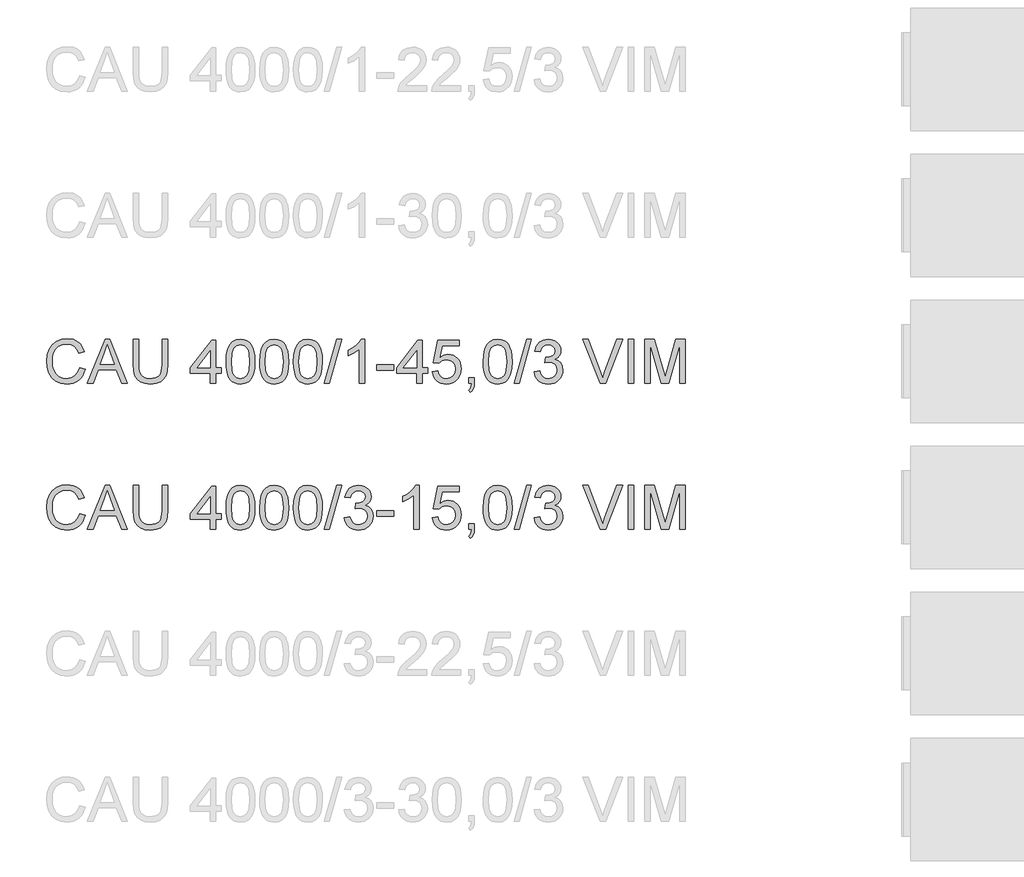
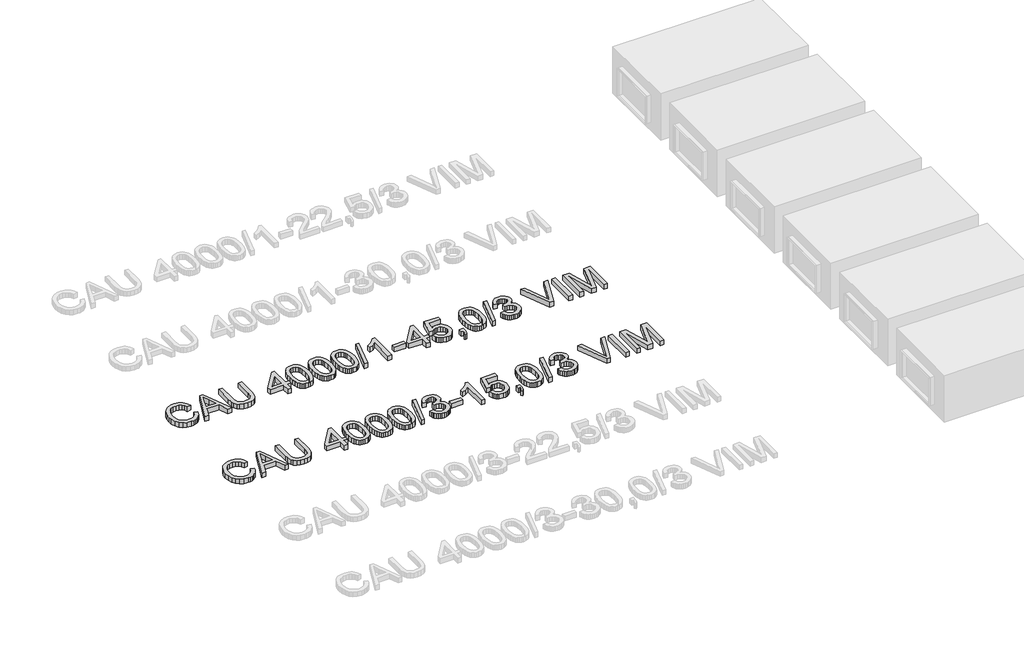
# One storey, part 66 of 74: 2 proxies.
"""IFC4 building model written with IfcOpenShell, lengths in millimetres."""

from ifc_helpers import new_model, si_unit, origin, origin_with_axes, place, context, project, spatial, polyline, outline, extrude, element, save

model = new_model("IFC4")

# Units and contexts
model_context = context("Model", 3, world=origin())
ifc_project = project(units=[si_unit("LENGTHUNIT", "METRE", prefix="MILLI")], contexts=[model_context])

# Site, building, storey
site = spatial("IfcSite", under=ifc_project)
building = spatial("IfcBuilding", under=site)
storey = spatial("IfcBuildingStorey", under=building, Elevation=0.0)

# Proxies
placement = place(None, origin())
element("IfcBuildingElementProxy", 1, Name="Generic Models", at=placement, inside=storey, context=model_context, shape_type="SweptSolid", body=[
    extrude(outline(polyline([(44539.6928381, -7799.1632103), (44577.3639544, -7808.875295), (44569.9097455, -7832.3024803), (44559.9815302, -7852.7728141), (44547.5793084, -7870.2862963), (44532.7030802, -7884.842927), (44515.688538, -7896.2863563), (44496.8713739, -7904.4602344), (44476.2515881, -7909.3645613), (44453.8291805, -7910.9993369), (44410.1339965, -7906.051324), (44375.4335273, -7891.2072855), (44348.835659, -7866.9822562), (44329.4482779, -7833.8912707), (44317.6116747, -7794.9877497), (44313.6661403, -7753.3251137), (44318.1267095, -7709.3816094), (44331.5084171, -7671.4345816), (44353.1122872, -7640.6888439), (44382.2393442, -7618.3492097), (44416.7834636, -7604.7467729), (44454.6385209, -7600.2126274), (44495.9424719, -7606.0803452), (44513.9112081, -7613.4149925), (44530.0911181, -7623.6834986), (44544.2154874, -7636.6145508), (44556.0176017, -7651.9368359), (44572.6550649, -7689.755105), (44534.9839486, -7698.7314257), (44521.9241378, -7671.2598377), (44504.081861, -7652.4150825), (44481.2363891, -7641.5165784), (44453.1669929, -7637.8837437), (44420.8117714, -7641.9120515), (44394.2322973, -7653.996975), (44374.0631669, -7672.8693214), (44360.9389767, -7697.2598977), (44353.7376866, -7724.8326532), (44351.3372566, -7753.2515373), (44354.179145, -7788.0531741), (44362.7048103, -7818.1459213), (44377.2361491, -7842.3801477), (44398.0950582, -7859.6062222), (44423.1018368, -7869.897721), (44450.0767841, -7873.3282206), (44481.5214977, -7868.6561192), (44507.7238928, -7854.6398152), (44527.5067471, -7831.4264613), (44539.6928381, -7799.1632103)])), origin_with_axes(), (0.0, 0.0, 1.0), 50.0),
    extrude(outline(polyline([(44594.065797, -7906.2904473), (44714.3632095, -7604.9215169), (44746.4425194, -7604.9215169), (44866.7399319, -7906.2904473), (44826.9351, -7906.2904473), (44792.4277688, -7812.1126566), (44668.3043837, -7812.1126566), (44633.8706289, -7906.2904473), (44594.065797, -7906.2904473)]), holes=[polyline([(44682.1367467, -7774.4415403), (44778.6689822, -7774.4415403), (44751.519291, -7700.3501064), (44730.4028644, -7642.5926332), (44711.6408827, -7693.8753833), (44682.1367467, -7774.4415403)])]), origin_with_axes(), (0.0, 0.0, 1.0), 50.0),
    extrude(outline(polyline([(45104.7595827, -7604.9215169), (45142.430699, -7604.9215169), (45142.430699, -7778.7825478), (45139.8739192, -7819.4978876), (45132.2035796, -7850.8506307), (45117.8745759, -7875.0388719), (45095.3418037, -7894.2607061), (45064.5500807, -7906.8146792), (45025.4442246, -7910.9993369), (44987.1936941, -7907.3573051), (44956.6135033, -7896.4312099), (44933.694455, -7878.5981302), (44918.4273522, -7854.235145), (44909.8465046, -7821.5580268), (44906.9862221, -7778.7825478), (44906.9862221, -7604.9215169), (44944.6573384, -7604.9215169), (44944.6573384, -7777.4581726), (44946.5151425, -7811.3125132), (44952.0885547, -7834.8845521), (44962.1869155, -7851.2093156), (44977.6195652, -7863.3218303), (44997.7427103, -7870.826623), (45021.9125574, -7873.3282206), (45060.2274672, -7868.3802077), (45074.5702665, -7862.1951917), (45085.7032954, -7853.5361692), (45094.0404211, -7841.3592752), (45099.9955109, -7824.6206444), (45104.7595827, -7777.4581726), (45104.7595827, -7604.9215169)])), origin_with_axes(), (0.0, 0.0, 1.0), 50.0),
    extrude(outline(polyline([(45434.3818504, -7906.2904473), (45434.3818504, -7835.6571043), (45297.8240538, -7835.6571043), (45297.8240538, -7797.985988), (45443.7996295, -7609.6304064), (45472.0529667, -7609.6304064), (45472.0529667, -7797.985988), (45509.724083, -7797.985988), (45509.724083, -7835.6571043), (45472.0529667, -7835.6571043), (45472.0529667, -7906.2904473), (45434.3818504, -7906.2904473)]), holes=[polyline([(45434.3818504, -7797.985988), (45434.3818504, -7681.5881247), (45344.1771852, -7797.985988), (45434.3818504, -7797.985988)])]), origin_with_axes(), (0.0, 0.0, 1.0), 50.0),
    extrude(outline(polyline([(45542.6863098, -7758.0340033), (45545.4546218, -7709.7954767), (45553.7595578, -7671.324217), (45567.5183445, -7642.0316132), (45586.6482082, -7621.3290539), (45611.2871048, -7609.0234011), (45641.5729901, -7604.9215169), (45664.786344, -7607.3495381), (45685.5716767, -7614.6336016), (45702.954101, -7626.4885989), (45715.9587295, -7642.6294214), (45725.7811788, -7662.9181134), (45733.6170653, -7687.2167192), (45738.7490191, -7718.0728216), (45740.4596704, -7758.0340033), (45737.7189495, -7805.9966184), (45729.4967869, -7844.3759076), (45715.8207738, -7873.6961026), (45696.7185012, -7894.4814353), (45672.0244222, -7906.8698615), (45641.5729901, -7910.9993369), (45620.8244456, -7909.2059122), (45602.4303458, -7903.825638), (45586.3906908, -7894.8585143), (45572.7054806, -7882.3045413), (45559.5720934, -7859.6108207), (45550.1911025, -7831.3344908), (45544.562508, -7797.4755517), (45542.6863098, -7758.0340033)]), holes=[polyline([(45580.3574261, -7757.9604269), (45584.77201, -7817.2170193), (45590.29024, -7837.4850179), (45598.0157619, -7851.5128183), (45617.7342368, -7867.87437), (45641.5729901, -7873.3282206), (45665.4117434, -7867.8559759), (45685.1302183, -7851.4392419), (45692.8557402, -7837.3884489), (45698.3739702, -7817.1250488), (45702.7885541, -7757.9604269), (45698.5211229, -7700.0374067), (45693.186834, -7679.8360867), (45685.7188295, -7665.4748933), (45666.0371428, -7648.3131982), (45641.1315317, -7642.5926332), (45617.5502958, -7647.6326165), (45598.6043731, -7662.7525665), (45590.6213338, -7678.3875513), (45584.9191628, -7699.4671897), (45580.3574261, -7757.9604269)])]), origin_with_axes(), (0.0, 0.0, 1.0), 50.0),
    extrude(outline(polyline([(45773.4218972, -7758.0340033), (45776.1902092, -7709.7954767), (45784.4951452, -7671.324217), (45798.2539318, -7642.0316132), (45817.3837956, -7621.3290539), (45842.0226922, -7609.0234011), (45872.3085775, -7604.9215169), (45895.5219314, -7607.3495381), (45916.3072641, -7614.6336016), (45933.6896884, -7626.4885989), (45946.6943169, -7642.6294214), (45956.5167662, -7662.9181134), (45964.3526527, -7687.2167192), (45969.4846065, -7718.0728216), (45971.1952578, -7758.0340033), (45968.4545369, -7805.9966184), (45960.2323743, -7844.3759076), (45946.5563611, -7873.6961026), (45927.4540885, -7894.4814353), (45902.7600096, -7906.8698615), (45872.3085775, -7910.9993369), (45851.5600329, -7909.2059122), (45833.1659332, -7903.825638), (45817.1262782, -7894.8585143), (45803.441068, -7882.3045413), (45790.3076807, -7859.6108207), (45780.9266899, -7831.3344908), (45775.2980953, -7797.4755517), (45773.4218972, -7758.0340033)]), holes=[polyline([(45811.0930135, -7757.9604269), (45815.5075974, -7817.2170193), (45821.0258273, -7837.4850179), (45828.7513492, -7851.5128183), (45848.4698242, -7867.87437), (45872.3085775, -7873.3282206), (45896.1473308, -7867.8559759), (45915.8658057, -7851.4392419), (45923.5913276, -7837.3884489), (45929.1095575, -7817.1250488), (45933.5241415, -7757.9604269), (45929.2567103, -7700.0374067), (45923.9224214, -7679.8360867), (45916.4544169, -7665.4748933), (45896.7727302, -7648.3131982), (45871.8671191, -7642.5926332), (45848.2858832, -7647.6326165), (45829.3399604, -7662.7525665), (45821.3569211, -7678.3875513), (45815.6547502, -7699.4671897), (45811.0930135, -7757.9604269)])]), origin_with_axes(), (0.0, 0.0, 1.0), 50.0),
    extrude(outline(polyline([(46004.1574845, -7758.0340033), (46006.9257966, -7709.7954767), (46015.2307326, -7671.324217), (46028.9895192, -7642.0316132), (46048.119383, -7621.3290539), (46072.7582796, -7609.0234011), (46103.0441648, -7604.9215169), (46126.2575187, -7607.3495381), (46147.0428515, -7614.6336016), (46164.4252757, -7626.4885989), (46177.4299043, -7642.6294214), (46187.2523535, -7662.9181134), (46195.08824, -7687.2167192), (46200.2201939, -7718.0728216), (46201.9308451, -7758.0340033), (46199.1901243, -7805.9966184), (46190.9679617, -7844.3759076), (46177.2919485, -7873.6961026), (46158.1896759, -7894.4814353), (46133.495597, -7906.8698615), (46103.0441648, -7910.9993369), (46082.2956203, -7909.2059122), (46063.9015206, -7903.825638), (46047.8618656, -7894.8585143), (46034.1766553, -7882.3045413), (46021.0432681, -7859.6108207), (46011.6622772, -7831.3344908), (46006.0336827, -7797.4755517), (46004.1574845, -7758.0340033)]), holes=[polyline([(46041.8286008, -7757.9604269), (46046.2431848, -7817.2170193), (46051.7614147, -7837.4850179), (46059.4869366, -7851.5128183), (46079.2054116, -7867.87437), (46103.0441648, -7873.3282206), (46126.8829181, -7867.8559759), (46146.6013931, -7851.4392419), (46154.326915, -7837.3884489), (46159.8451449, -7817.1250488), (46164.2597288, -7757.9604269), (46159.9922977, -7700.0374067), (46154.6580088, -7679.8360867), (46147.1900043, -7665.4748933), (46127.5083175, -7648.3131982), (46102.6027065, -7642.5926332), (46079.0214706, -7647.6326165), (46060.0755478, -7662.7525665), (46052.0925085, -7678.3875513), (46046.3903376, -7699.4671897), (46041.8286008, -7757.9604269)])]), origin_with_axes(), (0.0, 0.0, 1.0), 50.0),
    extrude(outline(polyline([(46216.0575138, -7906.2904473), (46300.8175255, -7604.9215169), (46334.8098218, -7604.9215169), (46250.0498101, -7906.2904473), (46216.0575138, -7906.2904473)])), origin_with_axes(), (0.0, 0.0, 1.0), 50.0),
    extrude(outline(polyline([(46352.6153104, -7826.2393252), (46390.2864267, -7821.5304357), (46398.7201214, -7845.203642), (46411.0717594, -7861.1881147), (46427.9483459, -7870.2931941), (46449.9568863, -7873.3282206), (46475.7822024, -7869.1527599), (46495.7214065, -7856.626378), (46508.4685176, -7837.9379726), (46512.7175547, -7815.2764417), (46508.5053058, -7793.7645421), (46495.8685593, -7776.3177384), (46476.7386955, -7764.7570467), (46453.0470951, -7760.9034828), (46426.6331678, -7765.0237612), (46430.8270225, -7727.3526449), (46436.8602873, -7727.7941033), (46459.4298477, -7725.0901706), (46479.6081751, -7716.9783726), (46493.8452083, -7703.2563742), (46498.5908861, -7683.7218403), (46495.1511894, -7667.452259), (46484.8320994, -7654.2544924), (46469.08675, -7645.508098), (46449.3682751, -7642.5926332), (46429.613012, -7645.5356892), (46413.4629924, -7654.364857), (46401.6723744, -7669.0801369), (46394.9953162, -7689.6815286), (46357.3241999, -7684.972639), (46368.4158421, -7651.1458896), (46388.1527111, -7625.8907906), (46415.1552496, -7610.1638353), (46448.0438999, -7604.9215169), (46471.7263034, -7607.5058879), (46493.4773263, -7615.259001), (46511.8162438, -7627.4910773), (46525.2623307, -7643.5123382), (46533.5120845, -7661.9708173), (46536.2620024, -7681.5145483), (46533.6500402, -7699.724707), (46525.8141537, -7716.2426086), (46512.8647075, -7730.3140949), (46494.9120661, -7741.1850079), (46518.493302, -7750.7131516), (46535.9676968, -7766.9367476), (46546.7834274, -7788.9728791), (46550.388671, -7815.9386293), (46548.5860492, -7835.050099), (46543.1781839, -7852.6532524), (46534.165075, -7868.7480897), (46521.5467226, -7883.3346108), (46506.1738537, -7895.4379285), (46488.8971955, -7904.0831554), (46469.716748, -7909.2702915), (46448.6325111, -7910.9993369), (46429.5762238, -7909.5232104), (46412.2121936, -7905.0948309), (46396.5404206, -7897.7141983), (46382.5609048, -7887.3813128), (46370.8392647, -7874.7031795), (46361.941119, -7860.2868038), (46355.8664675, -7844.1321857), (46352.6153104, -7826.2393252)])), origin_with_axes(), (0.0, 0.0, 1.0), 50.0),
    extrude(outline(polyline([(46573.9331187, -7816.8215461), (46573.9331187, -7779.1504298), (46691.6553571, -7779.1504298), (46691.6553571, -7816.8215461), (46573.9331187, -7816.8215461)])), origin_with_axes(), (0.0, 0.0, 1.0), 50.0),
    extrude(outline(polyline([(46865.88427, -7906.2904473), (46828.2131537, -7906.2904473), (46828.2131537, -7671.4345816), (46792.5286002, -7696.8552275), (46752.8709211, -7715.8747266), (46752.8709211, -7680.2637495), (46782.4578306, -7664.1689122), (46808.0900086, -7645.0206544), (46828.2959272, -7624.6583859), (46841.6040584, -7604.9215169), (46865.88427, -7604.9215169), (46865.88427, -7906.2904473)])), origin_with_axes(), (0.0, 0.0, 1.0), 50.0),
    extrude(outline(polyline([(46955.3531713, -7826.2393252), (46993.0242876, -7821.5304357), (46999.9404691, -7844.1459813), (47012.0069985, -7860.3419861), (47029.1686936, -7870.081662), (47051.370372, -7873.3282206), (47078.3729105, -7868.8124691), (47098.6064202, -7855.2652146), (47111.2431667, -7834.2499556), (47115.4554156, -7807.3301906), (47111.5098812, -7781.9831212), (47099.673278, -7762.59574), (47079.8536355, -7750.2900873), (47051.9589832, -7746.188203), (47033.6844451, -7747.8252779), (47018.8863918, -7752.7365026), (46997.7331771, -7769.7326507), (46960.0620608, -7765.0237612), (46993.0242876, -7609.6304064), (47138.9998633, -7609.6304064), (47138.9998633, -7647.3015227), (47023.4849168, -7647.3015227), (47007.3716854, -7730.2957008), (47034.2822533, -7713.9617403), (47062.4804083, -7708.5170867), (47080.8262235, -7710.2047454), (47097.6775182, -7715.2677213), (47113.0342922, -7723.7060146), (47126.8965456, -7735.5196252), (47138.3721646, -7749.9865846), (47146.5690353, -7766.3849246), (47151.4871577, -7784.714645), (47153.1265319, -7804.9757459), (47147.2220259, -7842.6468622), (47139.8413933, -7859.4406753), (47129.5085078, -7874.873325), (47113.8551289, -7890.6784552), (47095.5897878, -7901.9678339), (47074.7124846, -7908.7414611), (47051.2232192, -7910.9993369), (47014.2234876, -7905.1959984), (46998.5448168, -7897.9418253), (46984.7469427, -7887.785983), (46973.2667252, -7875.2343092), (46964.5410241, -7860.7926416), (46955.3531713, -7826.2393252)])), origin_with_axes(), (0.0, 0.0, 1.0), 50.0),
    extrude(outline(polyline([(47204.9243168, -7906.2904473), (47204.9243168, -7868.619331), (47242.5954331, -7868.619331), (47242.5954331, -7906.2904473), (47240.9031759, -7927.8391352), (47235.8264044, -7944.8076922), (47227.0708129, -7957.8215178), (47214.3420959, -7967.5060113), (47204.9243168, -7953.3793427), (47213.0912971, -7946.5551317), (47218.7566798, -7937.1189585), (47223.6862986, -7906.2904473), (47204.9243168, -7906.2904473)])), origin_with_axes(), (0.0, 0.0, 1.0), 50.0),
    extrude(outline(polyline([(47303.8109971, -7758.0340033), (47306.5793091, -7709.7954767), (47314.8842452, -7671.324217), (47328.6430318, -7642.0316132), (47347.7728955, -7621.3290539), (47372.4117922, -7609.0234011), (47402.6976774, -7604.9215169), (47425.9110313, -7607.3495381), (47446.696364, -7614.6336016), (47464.0787883, -7626.4885989), (47477.0834168, -7642.6294214), (47486.9058661, -7662.9181134), (47494.7417526, -7687.2167192), (47499.8737064, -7718.0728216), (47501.5843577, -7758.0340033), (47498.8436368, -7805.9966184), (47490.6214743, -7844.3759076), (47476.9454611, -7873.6961026), (47457.8431885, -7894.4814353), (47433.1491096, -7906.8698615), (47402.6976774, -7910.9993369), (47381.9491329, -7909.2059122), (47363.5550331, -7903.825638), (47347.5153781, -7894.8585143), (47333.8301679, -7882.3045413), (47320.6967807, -7859.6108207), (47311.3157898, -7831.3344908), (47305.6871953, -7797.4755517), (47303.8109971, -7758.0340033)]), holes=[polyline([(47341.4821134, -7757.9604269), (47345.8966974, -7817.2170193), (47351.4149273, -7837.4850179), (47359.1404492, -7851.5128183), (47378.8589241, -7867.87437), (47402.6976774, -7873.3282206), (47426.5364307, -7867.8559759), (47446.2549056, -7851.4392419), (47453.9804275, -7837.3884489), (47459.4986575, -7817.1250488), (47463.9132414, -7757.9604269), (47459.6458103, -7700.0374067), (47454.3115213, -7679.8360867), (47446.8435168, -7665.4748933), (47427.1618301, -7648.3131982), (47402.256219, -7642.5926332), (47378.6749831, -7647.6326165), (47359.7290604, -7662.7525665), (47351.7460211, -7678.3875513), (47346.0438501, -7699.4671897), (47341.4821134, -7757.9604269)])]), origin_with_axes(), (0.0, 0.0, 1.0), 50.0),
    extrude(outline(polyline([(47515.7110263, -7906.2904473), (47600.471038, -7604.9215169), (47634.4633344, -7604.9215169), (47549.7033227, -7906.2904473), (47515.7110263, -7906.2904473)])), origin_with_axes(), (0.0, 0.0, 1.0), 50.0),
    extrude(outline(polyline([(47652.2688229, -7826.2393252), (47689.9399392, -7821.5304357), (47698.373634, -7845.203642), (47710.725272, -7861.1881147), (47727.6018585, -7870.2931941), (47749.6103989, -7873.3282206), (47775.4357149, -7869.1527599), (47795.3749191, -7856.626378), (47808.1220302, -7837.9379726), (47812.3710672, -7815.2764417), (47808.1588184, -7793.7645421), (47795.5220719, -7776.3177384), (47776.3922081, -7764.7570467), (47752.7006076, -7760.9034828), (47726.2866804, -7765.0237612), (47730.4805351, -7727.3526449), (47736.5137998, -7727.7941033), (47759.0833602, -7725.0901706), (47779.2616877, -7716.9783726), (47793.4987209, -7703.2563742), (47798.2443986, -7683.7218403), (47794.804702, -7667.452259), (47784.485612, -7654.2544924), (47768.7402626, -7645.508098), (47749.0217877, -7642.5926332), (47729.2665245, -7645.5356892), (47713.1165049, -7654.364857), (47701.325887, -7669.0801369), (47694.6488288, -7689.6815286), (47656.9777125, -7684.972639), (47668.0693546, -7651.1458896), (47687.8062237, -7625.8907906), (47714.8087621, -7610.1638353), (47747.6974125, -7604.9215169), (47771.3798159, -7607.5058879), (47793.1308389, -7615.259001), (47811.4697563, -7627.4910773), (47824.9158433, -7643.5123382), (47833.165597, -7661.9708173), (47835.9155149, -7681.5145483), (47833.3035528, -7699.724707), (47825.4676663, -7716.2426086), (47812.51822, -7730.3140949), (47794.5655787, -7741.1850079), (47818.1468146, -7750.7131516), (47835.6212093, -7766.9367476), (47846.43694, -7788.9728791), (47850.0421835, -7815.9386293), (47848.2395618, -7835.050099), (47842.8316964, -7852.6532524), (47833.8185876, -7868.7480897), (47821.2002351, -7883.3346108), (47805.8273662, -7895.4379285), (47788.550708, -7904.0831554), (47769.3702605, -7909.2702915), (47748.2860237, -7910.9993369), (47729.2297363, -7909.5232104), (47711.8657062, -7905.0948309), (47696.1939332, -7897.7141983), (47682.2144173, -7887.3813128), (47670.4927773, -7874.7031795), (47661.5946315, -7860.2868038), (47655.5199801, -7844.1321857), (47652.2688229, -7826.2393252)])), origin_with_axes(), (0.0, 0.0, 1.0), 50.0),
    extrude(outline(polyline([(48103.8807602, -7906.2904473), (47983.9512298, -7604.9215169), (48024.2710965, -7604.9215169), (48104.5429478, -7822.0454704), (48120.803332, -7870.9737758), (48136.842987, -7822.0454704), (48217.3355675, -7604.9215169), (48257.6554342, -7604.9215169), (48142.8026753, -7906.2904473), (48103.8807602, -7906.2904473)])), origin_with_axes(), (0.0, 0.0, 1.0), 50.0),
    extrude(outline(polyline([(48297.3866897, -7906.2904473), (48297.3866897, -7604.9215169), (48335.057806, -7604.9215169), (48335.057806, -7906.2904473), (48297.3866897, -7906.2904473)])), origin_with_axes(), (0.0, 0.0, 1.0), 50.0),
    extrude(outline(polyline([(48410.4000386, -7906.2904473), (48410.4000386, -7604.9215169), (48475.2208461, -7604.9215169), (48536.8778685, -7817.3365809), (48549.31228, -7861.7031495), (48562.776761, -7813.657761), (48623.4037138, -7604.9215169), (48688.2245214, -7604.9215169), (48688.2245214, -7906.2904473), (48650.553405, -7906.2904473), (48650.553405, -7642.5926332), (48574.8432904, -7906.2904473), (48523.7812695, -7906.2904473), (48448.0711549, -7642.5926332), (48448.0711549, -7906.2904473), (48410.4000386, -7906.2904473)])), origin_with_axes(), (0.0, 0.0, 1.0), 50.0),
])
element("IfcBuildingElementProxy", 2, Name="Generic Models", at=placement, inside=storey, context=model_context, shape_type="SweptSolid", body=[
    extrude(outline(polyline([(44539.6928381, -6799.1632103), (44577.3639544, -6808.875295), (44569.9097455, -6832.3024803), (44559.9815302, -6852.7728141), (44547.5793084, -6870.2862963), (44532.7030802, -6884.842927), (44515.688538, -6896.2863563), (44496.8713739, -6904.4602344), (44476.2515881, -6909.3645613), (44453.8291805, -6910.9993369), (44410.1339965, -6906.051324), (44375.4335273, -6891.2072855), (44348.835659, -6866.9822562), (44329.4482779, -6833.8912707), (44317.6116747, -6794.9877497), (44313.6661403, -6753.3251137), (44318.1267095, -6709.3816094), (44331.5084171, -6671.4345816), (44353.1122872, -6640.6888439), (44382.2393442, -6618.3492097), (44416.7834636, -6604.7467729), (44454.6385209, -6600.2126274), (44495.9424719, -6606.0803452), (44513.9112081, -6613.4149925), (44530.0911181, -6623.6834986), (44544.2154874, -6636.6145508), (44556.0176017, -6651.9368359), (44572.6550649, -6689.755105), (44534.9839486, -6698.7314257), (44521.9241378, -6671.2598377), (44504.081861, -6652.4150825), (44481.2363891, -6641.5165784), (44453.1669929, -6637.8837437), (44420.8117714, -6641.9120515), (44394.2322973, -6653.996975), (44374.0631669, -6672.8693214), (44360.9389767, -6697.2598977), (44353.7376866, -6724.8326532), (44351.3372566, -6753.2515373), (44354.179145, -6788.0531741), (44362.7048103, -6818.1459213), (44377.2361491, -6842.3801477), (44398.0950582, -6859.6062222), (44423.1018368, -6869.897721), (44450.0767841, -6873.3282206), (44481.5214977, -6868.6561192), (44507.7238928, -6854.6398152), (44527.5067471, -6831.4264613), (44539.6928381, -6799.1632103)])), origin_with_axes(), (0.0, 0.0, 1.0), 50.0),
    extrude(outline(polyline([(44594.065797, -6906.2904473), (44714.3632095, -6604.9215169), (44746.4425194, -6604.9215169), (44866.7399319, -6906.2904473), (44826.9351, -6906.2904473), (44792.4277688, -6812.1126566), (44668.3043837, -6812.1126566), (44633.8706289, -6906.2904473), (44594.065797, -6906.2904473)]), holes=[polyline([(44682.1367467, -6774.4415403), (44778.6689822, -6774.4415403), (44751.519291, -6700.3501064), (44730.4028644, -6642.5926332), (44711.6408827, -6693.8753833), (44682.1367467, -6774.4415403)])]), origin_with_axes(), (0.0, 0.0, 1.0), 50.0),
    extrude(outline(polyline([(45104.7595827, -6604.9215169), (45142.430699, -6604.9215169), (45142.430699, -6778.7825478), (45139.8739192, -6819.4978876), (45132.2035796, -6850.8506307), (45117.8745759, -6875.0388719), (45095.3418037, -6894.2607061), (45064.5500807, -6906.8146792), (45025.4442246, -6910.9993369), (44987.1936941, -6907.3573051), (44956.6135033, -6896.4312099), (44933.694455, -6878.5981302), (44918.4273522, -6854.235145), (44909.8465046, -6821.5580268), (44906.9862221, -6778.7825478), (44906.9862221, -6604.9215169), (44944.6573384, -6604.9215169), (44944.6573384, -6777.4581726), (44946.5151425, -6811.3125132), (44952.0885547, -6834.8845521), (44962.1869155, -6851.2093156), (44977.6195652, -6863.3218303), (44997.7427103, -6870.826623), (45021.9125574, -6873.3282206), (45060.2274672, -6868.3802077), (45074.5702665, -6862.1951917), (45085.7032954, -6853.5361692), (45094.0404211, -6841.3592752), (45099.9955109, -6824.6206444), (45104.7595827, -6777.4581726), (45104.7595827, -6604.9215169)])), origin_with_axes(), (0.0, 0.0, 1.0), 50.0),
    extrude(outline(polyline([(45434.3818504, -6906.2904473), (45434.3818504, -6835.6571043), (45297.8240538, -6835.6571043), (45297.8240538, -6797.985988), (45443.7996295, -6609.6304064), (45472.0529667, -6609.6304064), (45472.0529667, -6797.985988), (45509.724083, -6797.985988), (45509.724083, -6835.6571043), (45472.0529667, -6835.6571043), (45472.0529667, -6906.2904473), (45434.3818504, -6906.2904473)]), holes=[polyline([(45434.3818504, -6797.985988), (45434.3818504, -6681.5881247), (45344.1771852, -6797.985988), (45434.3818504, -6797.985988)])]), origin_with_axes(), (0.0, 0.0, 1.0), 50.0),
    extrude(outline(polyline([(45542.6863098, -6758.0340033), (45545.4546218, -6709.7954767), (45553.7595578, -6671.324217), (45567.5183445, -6642.0316132), (45586.6482082, -6621.3290539), (45611.2871048, -6609.0234011), (45641.5729901, -6604.9215169), (45664.786344, -6607.3495381), (45685.5716767, -6614.6336016), (45702.954101, -6626.4885989), (45715.9587295, -6642.6294214), (45725.7811788, -6662.9181134), (45733.6170653, -6687.2167192), (45738.7490191, -6718.0728216), (45740.4596704, -6758.0340033), (45737.7189495, -6805.9966184), (45729.4967869, -6844.3759076), (45715.8207738, -6873.6961026), (45696.7185012, -6894.4814353), (45672.0244222, -6906.8698615), (45641.5729901, -6910.9993369), (45620.8244456, -6909.2059122), (45602.4303458, -6903.825638), (45586.3906908, -6894.8585143), (45572.7054806, -6882.3045413), (45559.5720934, -6859.6108207), (45550.1911025, -6831.3344908), (45544.562508, -6797.4755517), (45542.6863098, -6758.0340033)]), holes=[polyline([(45580.3574261, -6757.9604269), (45584.77201, -6817.2170193), (45590.29024, -6837.4850179), (45598.0157619, -6851.5128183), (45617.7342368, -6867.87437), (45641.5729901, -6873.3282206), (45665.4117434, -6867.8559759), (45685.1302183, -6851.4392419), (45692.8557402, -6837.3884489), (45698.3739702, -6817.1250488), (45702.7885541, -6757.9604269), (45698.5211229, -6700.0374067), (45693.186834, -6679.8360867), (45685.7188295, -6665.4748933), (45666.0371428, -6648.3131982), (45641.1315317, -6642.5926332), (45617.5502958, -6647.6326165), (45598.6043731, -6662.7525665), (45590.6213338, -6678.3875513), (45584.9191628, -6699.4671897), (45580.3574261, -6757.9604269)])]), origin_with_axes(), (0.0, 0.0, 1.0), 50.0),
    extrude(outline(polyline([(45773.4218972, -6758.0340033), (45776.1902092, -6709.7954767), (45784.4951452, -6671.324217), (45798.2539318, -6642.0316132), (45817.3837956, -6621.3290539), (45842.0226922, -6609.0234011), (45872.3085775, -6604.9215169), (45895.5219314, -6607.3495381), (45916.3072641, -6614.6336016), (45933.6896884, -6626.4885989), (45946.6943169, -6642.6294214), (45956.5167662, -6662.9181134), (45964.3526527, -6687.2167192), (45969.4846065, -6718.0728216), (45971.1952578, -6758.0340033), (45968.4545369, -6805.9966184), (45960.2323743, -6844.3759076), (45946.5563611, -6873.6961026), (45927.4540885, -6894.4814353), (45902.7600096, -6906.8698615), (45872.3085775, -6910.9993369), (45851.5600329, -6909.2059122), (45833.1659332, -6903.825638), (45817.1262782, -6894.8585143), (45803.441068, -6882.3045413), (45790.3076807, -6859.6108207), (45780.9266899, -6831.3344908), (45775.2980953, -6797.4755517), (45773.4218972, -6758.0340033)]), holes=[polyline([(45811.0930135, -6757.9604269), (45815.5075974, -6817.2170193), (45821.0258273, -6837.4850179), (45828.7513492, -6851.5128183), (45848.4698242, -6867.87437), (45872.3085775, -6873.3282206), (45896.1473308, -6867.8559759), (45915.8658057, -6851.4392419), (45923.5913276, -6837.3884489), (45929.1095575, -6817.1250488), (45933.5241415, -6757.9604269), (45929.2567103, -6700.0374067), (45923.9224214, -6679.8360867), (45916.4544169, -6665.4748933), (45896.7727302, -6648.3131982), (45871.8671191, -6642.5926332), (45848.2858832, -6647.6326165), (45829.3399604, -6662.7525665), (45821.3569211, -6678.3875513), (45815.6547502, -6699.4671897), (45811.0930135, -6757.9604269)])]), origin_with_axes(), (0.0, 0.0, 1.0), 50.0),
    extrude(outline(polyline([(46004.1574845, -6758.0340033), (46006.9257966, -6709.7954767), (46015.2307326, -6671.324217), (46028.9895192, -6642.0316132), (46048.119383, -6621.3290539), (46072.7582796, -6609.0234011), (46103.0441648, -6604.9215169), (46126.2575187, -6607.3495381), (46147.0428515, -6614.6336016), (46164.4252757, -6626.4885989), (46177.4299043, -6642.6294214), (46187.2523535, -6662.9181134), (46195.08824, -6687.2167192), (46200.2201939, -6718.0728216), (46201.9308451, -6758.0340033), (46199.1901243, -6805.9966184), (46190.9679617, -6844.3759076), (46177.2919485, -6873.6961026), (46158.1896759, -6894.4814353), (46133.495597, -6906.8698615), (46103.0441648, -6910.9993369), (46082.2956203, -6909.2059122), (46063.9015206, -6903.825638), (46047.8618656, -6894.8585143), (46034.1766553, -6882.3045413), (46021.0432681, -6859.6108207), (46011.6622772, -6831.3344908), (46006.0336827, -6797.4755517), (46004.1574845, -6758.0340033)]), holes=[polyline([(46041.8286008, -6757.9604269), (46046.2431848, -6817.2170193), (46051.7614147, -6837.4850179), (46059.4869366, -6851.5128183), (46079.2054116, -6867.87437), (46103.0441648, -6873.3282206), (46126.8829181, -6867.8559759), (46146.6013931, -6851.4392419), (46154.326915, -6837.3884489), (46159.8451449, -6817.1250488), (46164.2597288, -6757.9604269), (46159.9922977, -6700.0374067), (46154.6580088, -6679.8360867), (46147.1900043, -6665.4748933), (46127.5083175, -6648.3131982), (46102.6027065, -6642.5926332), (46079.0214706, -6647.6326165), (46060.0755478, -6662.7525665), (46052.0925085, -6678.3875513), (46046.3903376, -6699.4671897), (46041.8286008, -6757.9604269)])]), origin_with_axes(), (0.0, 0.0, 1.0), 50.0),
    extrude(outline(polyline([(46216.0575138, -6906.2904473), (46300.8175255, -6604.9215169), (46334.8098218, -6604.9215169), (46250.0498101, -6906.2904473), (46216.0575138, -6906.2904473)])), origin_with_axes(), (0.0, 0.0, 1.0), 50.0),
    extrude(outline(polyline([(46493.8819965, -6906.2904473), (46456.2108802, -6906.2904473), (46456.2108802, -6671.4345816), (46420.5263267, -6696.8552275), (46380.8686476, -6715.8747266), (46380.8686476, -6680.2637495), (46410.4555571, -6664.1689122), (46436.0877351, -6645.0206544), (46456.2936537, -6624.6583859), (46469.6017848, -6604.9215169), (46493.8819965, -6604.9215169), (46493.8819965, -6906.2904473)])), origin_with_axes(), (0.0, 0.0, 1.0), 50.0),
    extrude(outline(polyline([(46573.9331187, -6816.8215461), (46573.9331187, -6779.1504298), (46691.6553571, -6779.1504298), (46691.6553571, -6816.8215461), (46573.9331187, -6816.8215461)])), origin_with_axes(), (0.0, 0.0, 1.0), 50.0),
    extrude(outline(polyline([(46847.0487119, -6906.2904473), (46847.0487119, -6835.6571043), (46710.4909153, -6835.6571043), (46710.4909153, -6797.985988), (46856.466491, -6609.6304064), (46884.7198282, -6609.6304064), (46884.7198282, -6797.985988), (46922.3909445, -6797.985988), (46922.3909445, -6835.6571043), (46884.7198282, -6835.6571043), (46884.7198282, -6906.2904473), (46847.0487119, -6906.2904473)]), holes=[polyline([(46847.0487119, -6797.985988), (46847.0487119, -6681.5881247), (46756.8440467, -6797.985988), (46847.0487119, -6797.985988)])]), origin_with_axes(), (0.0, 0.0, 1.0), 50.0),
    extrude(outline(polyline([(46955.3531713, -6826.2393252), (46993.0242876, -6821.5304357), (46999.9404691, -6844.1459813), (47012.0069985, -6860.3419861), (47029.1686936, -6870.081662), (47051.370372, -6873.3282206), (47078.3729105, -6868.8124691), (47098.6064202, -6855.2652146), (47111.2431667, -6834.2499556), (47115.4554156, -6807.3301906), (47111.5098812, -6781.9831212), (47099.673278, -6762.59574), (47079.8536355, -6750.2900873), (47051.9589832, -6746.188203), (47033.6844451, -6747.8252779), (47018.8863918, -6752.7365026), (46997.7331771, -6769.7326507), (46960.0620608, -6765.0237612), (46993.0242876, -6609.6304064), (47138.9998633, -6609.6304064), (47138.9998633, -6647.3015227), (47023.4849168, -6647.3015227), (47007.3716854, -6730.2957008), (47034.2822533, -6713.9617403), (47062.4804083, -6708.5170867), (47080.8262235, -6710.2047454), (47097.6775182, -6715.2677213), (47113.0342922, -6723.7060146), (47126.8965456, -6735.5196252), (47138.3721646, -6749.9865846), (47146.5690353, -6766.3849246), (47151.4871577, -6784.714645), (47153.1265319, -6804.9757459), (47147.2220259, -6842.6468622), (47139.8413933, -6859.4406753), (47129.5085078, -6874.873325), (47113.8551289, -6890.6784552), (47095.5897878, -6901.9678339), (47074.7124846, -6908.7414611), (47051.2232192, -6910.9993369), (47014.2234876, -6905.1959984), (46998.5448168, -6897.9418253), (46984.7469427, -6887.785983), (46973.2667252, -6875.2343092), (46964.5410241, -6860.7926416), (46955.3531713, -6826.2393252)])), origin_with_axes(), (0.0, 0.0, 1.0), 50.0),
    extrude(outline(polyline([(47204.9243168, -6906.2904473), (47204.9243168, -6868.619331), (47242.5954331, -6868.619331), (47242.5954331, -6906.2904473), (47240.9031759, -6927.8391352), (47235.8264044, -6944.8076922), (47227.0708129, -6957.8215178), (47214.3420959, -6967.5060113), (47204.9243168, -6953.3793427), (47213.0912971, -6946.5551317), (47218.7566798, -6937.1189585), (47223.6862986, -6906.2904473), (47204.9243168, -6906.2904473)])), origin_with_axes(), (0.0, 0.0, 1.0), 50.0),
    extrude(outline(polyline([(47303.8109971, -6758.0340033), (47306.5793091, -6709.7954767), (47314.8842452, -6671.324217), (47328.6430318, -6642.0316132), (47347.7728955, -6621.3290539), (47372.4117922, -6609.0234011), (47402.6976774, -6604.9215169), (47425.9110313, -6607.3495381), (47446.696364, -6614.6336016), (47464.0787883, -6626.4885989), (47477.0834168, -6642.6294214), (47486.9058661, -6662.9181134), (47494.7417526, -6687.2167192), (47499.8737064, -6718.0728216), (47501.5843577, -6758.0340033), (47498.8436368, -6805.9966184), (47490.6214743, -6844.3759076), (47476.9454611, -6873.6961026), (47457.8431885, -6894.4814353), (47433.1491096, -6906.8698615), (47402.6976774, -6910.9993369), (47381.9491329, -6909.2059122), (47363.5550331, -6903.825638), (47347.5153781, -6894.8585143), (47333.8301679, -6882.3045413), (47320.6967807, -6859.6108207), (47311.3157898, -6831.3344908), (47305.6871953, -6797.4755517), (47303.8109971, -6758.0340033)]), holes=[polyline([(47341.4821134, -6757.9604269), (47345.8966974, -6817.2170193), (47351.4149273, -6837.4850179), (47359.1404492, -6851.5128183), (47378.8589241, -6867.87437), (47402.6976774, -6873.3282206), (47426.5364307, -6867.8559759), (47446.2549056, -6851.4392419), (47453.9804275, -6837.3884489), (47459.4986575, -6817.1250488), (47463.9132414, -6757.9604269), (47459.6458103, -6700.0374067), (47454.3115213, -6679.8360867), (47446.8435168, -6665.4748933), (47427.1618301, -6648.3131982), (47402.256219, -6642.5926332), (47378.6749831, -6647.6326165), (47359.7290604, -6662.7525665), (47351.7460211, -6678.3875513), (47346.0438501, -6699.4671897), (47341.4821134, -6757.9604269)])]), origin_with_axes(), (0.0, 0.0, 1.0), 50.0),
    extrude(outline(polyline([(47515.7110263, -6906.2904473), (47600.471038, -6604.9215169), (47634.4633344, -6604.9215169), (47549.7033227, -6906.2904473), (47515.7110263, -6906.2904473)])), origin_with_axes(), (0.0, 0.0, 1.0), 50.0),
    extrude(outline(polyline([(47652.2688229, -6826.2393252), (47689.9399392, -6821.5304357), (47698.373634, -6845.203642), (47710.725272, -6861.1881147), (47727.6018585, -6870.2931941), (47749.6103989, -6873.3282206), (47775.4357149, -6869.1527599), (47795.3749191, -6856.626378), (47808.1220302, -6837.9379726), (47812.3710672, -6815.2764417), (47808.1588184, -6793.7645421), (47795.5220719, -6776.3177384), (47776.3922081, -6764.7570467), (47752.7006076, -6760.9034828), (47726.2866804, -6765.0237612), (47730.4805351, -6727.3526449), (47736.5137998, -6727.7941033), (47759.0833602, -6725.0901706), (47779.2616877, -6716.9783726), (47793.4987209, -6703.2563742), (47798.2443986, -6683.7218403), (47794.804702, -6667.452259), (47784.485612, -6654.2544924), (47768.7402626, -6645.508098), (47749.0217877, -6642.5926332), (47729.2665245, -6645.5356892), (47713.1165049, -6654.364857), (47701.325887, -6669.0801369), (47694.6488288, -6689.6815286), (47656.9777125, -6684.972639), (47668.0693546, -6651.1458896), (47687.8062237, -6625.8907906), (47714.8087621, -6610.1638353), (47747.6974125, -6604.9215169), (47771.3798159, -6607.5058879), (47793.1308389, -6615.259001), (47811.4697563, -6627.4910773), (47824.9158433, -6643.5123382), (47833.165597, -6661.9708173), (47835.9155149, -6681.5145483), (47833.3035528, -6699.724707), (47825.4676663, -6716.2426086), (47812.51822, -6730.3140949), (47794.5655787, -6741.1850079), (47818.1468146, -6750.7131516), (47835.6212093, -6766.9367476), (47846.43694, -6788.9728791), (47850.0421835, -6815.9386293), (47848.2395618, -6835.050099), (47842.8316964, -6852.6532524), (47833.8185876, -6868.7480897), (47821.2002351, -6883.3346108), (47805.8273662, -6895.4379285), (47788.550708, -6904.0831554), (47769.3702605, -6909.2702915), (47748.2860237, -6910.9993369), (47729.2297363, -6909.5232104), (47711.8657062, -6905.0948309), (47696.1939332, -6897.7141983), (47682.2144173, -6887.3813128), (47670.4927773, -6874.7031795), (47661.5946315, -6860.2868038), (47655.5199801, -6844.1321857), (47652.2688229, -6826.2393252)])), origin_with_axes(), (0.0, 0.0, 1.0), 50.0),
    extrude(outline(polyline([(48103.8807602, -6906.2904473), (47983.9512298, -6604.9215169), (48024.2710965, -6604.9215169), (48104.5429478, -6822.0454704), (48120.803332, -6870.9737758), (48136.842987, -6822.0454704), (48217.3355675, -6604.9215169), (48257.6554342, -6604.9215169), (48142.8026753, -6906.2904473), (48103.8807602, -6906.2904473)])), origin_with_axes(), (0.0, 0.0, 1.0), 50.0),
    extrude(outline(polyline([(48297.3866897, -6906.2904473), (48297.3866897, -6604.9215169), (48335.057806, -6604.9215169), (48335.057806, -6906.2904473), (48297.3866897, -6906.2904473)])), origin_with_axes(), (0.0, 0.0, 1.0), 50.0),
    extrude(outline(polyline([(48410.4000386, -6906.2904473), (48410.4000386, -6604.9215169), (48475.2208461, -6604.9215169), (48536.8778685, -6817.3365809), (48549.31228, -6861.7031495), (48562.776761, -6813.657761), (48623.4037138, -6604.9215169), (48688.2245214, -6604.9215169), (48688.2245214, -6906.2904473), (48650.553405, -6906.2904473), (48650.553405, -6642.5926332), (48574.8432904, -6906.2904473), (48523.7812695, -6906.2904473), (48448.0711549, -6642.5926332), (48448.0711549, -6906.2904473), (48410.4000386, -6906.2904473)])), origin_with_axes(), (0.0, 0.0, 1.0), 50.0),
])

save(model, "model.ifc")
